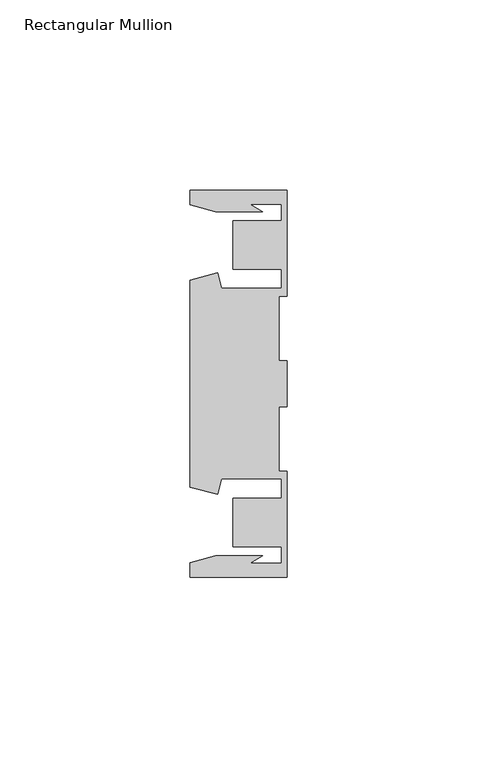
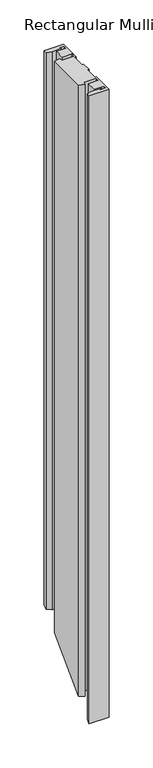
"""IFC4 building model written with IfcOpenShell, lengths in millimetres: member geometry, Rectangular Mullion."""

from ifc_helpers import new_model, si_unit, origin, place, context, project, spatial, faceted_brep, source, transform, mapped, element, save


def rectangular_mullion_3d1addb9(model_context):
    return source(origin(), model_context, "Body", "Brep", [
        faceted_brep([(-25.4, 50.7954622, 0.0), (-25.4, 46.9998463, 0.0), (-18.7113002, 45.2076146, 0.0), (-6.3834869, 45.2076146, 0.0), (-9.7005662, 47.1227313, 0.0), (-1.4138425, 47.1227313, 0.0), (-1.4138425, 42.8128906, 0.0), (-14.1138425, 42.8128906, 0.0), (-14.1138425, 30.1128906, 0.0), (-1.4138425, 30.1128906, 0.0), (-1.4138425, 25.0120132, 0.0), (-17.1094033, 25.0120132, 0.0), (-18.2017212, 29.0885993, 0.0), (-25.4, 27.1598263, 0.0), (-25.4, -27.1598263, 0.0), (-18.2017212, -29.0885993, 0.0), (-17.1094033, -25.0120132, 0.0), (-1.4138425, -25.0120132, 0.0), (-1.4138425, -30.1128906, 0.0), (-14.1138425, -30.1128906, 0.0), (-14.1138425, -42.8128906, 0.0), (-1.4138425, -42.8128906, 0.0), (-1.4138425, -47.1227313, 0.0), (-9.7005662, -47.1227313, 0.0), (-6.3834869, -45.2076146, 0.0), (-18.7113002, -45.2076146, 0.0), (-25.4, -46.9998463, 0.0), (-25.4, -50.7954622, 0.0), (0.0, -50.7954622, 0.0), (0.0, -22.9938072, 0.0), (-2.0000011, -22.9938072, 0.0), (-2.0000011, -6.0000032, 0.0), (0.0, -6.0000032, 0.0), (0.0, 6.0000032, 0.0), (-2.0000011, 6.0000032, 0.0), (-2.0000011, 22.9938072, 0.0), (0.0, 22.9938072, 0.0), (0.0, 50.7954622, 0.0), (-25.4, 50.7954622, -762.0045378), (-25.4, 46.9998463, -765.8001537), (-18.7113002, 45.2076146, -767.5923854), (-6.3834869, 45.2076146, -767.5923854), (-9.7005662, 47.1227313, -765.6772687), (-1.4138425, 47.1227313, -765.6772687), (-1.4138425, 42.8128906, -769.9871094), (-14.1138425, 42.8128906, -769.9871094), (-14.1138425, 30.1128906, -782.6871094), (-1.4138425, 30.1128906, -782.6871094), (-1.4138425, 25.0120132, -787.7879868), (-17.1094033, 25.0120132, -787.7879868), (-18.2017212, 29.0885993, -783.7114007), (-25.4, 27.1598263, -785.6401737), (-25.4, -27.1598263, -839.9598263), (-18.2017212, -29.0885993, -841.8885993), (-17.1094033, -25.0120132, -837.8120132), (-1.4138425, -25.0120132, -837.8120132), (-1.4138425, -30.1128906, -842.9128906), (-14.1138425, -30.1128906, -842.9128906), (-14.1138425, -42.8128906, -855.6128906), (-1.4138425, -42.8128906, -855.6128906), (-1.4138425, -47.1227313, -859.9227313), (-9.7005662, -47.1227313, -859.9227313), (-6.3834869, -45.2076146, -858.0076146), (-18.7113002, -45.2076146, -858.0076146), (-25.4, -46.9998463, -859.7998463), (-25.4, -50.7954622, -863.5954622), (0.0, -50.7954622, -863.5954622), (0.0, -22.9938072, -835.7938072), (-2.0000011, -22.9938072, -835.7938072), (-2.0000011, -6.0000032, -818.8000032), (0.0, -6.0000032, -818.8000032), (0.0, 6.0000032, -806.7999968), (-2.0000011, 6.0000032, -806.7999968), (-2.0000011, 22.9938072, -789.8061928), (0.0, 22.9938072, -789.8061928), (0.0, 50.7954622, -762.0045378)], [[[0, 1, 2, 3, 4, 5, 6, 7, 8, 9, 10, 11, 12, 13, 14, 15, 16, 17, 18, 19, 20, 21, 22, 23, 24, 25, 26, 27, 28, 29, 30, 31, 32, 33, 34, 35, 36, 37]], [[1, 0, 38, 39]], [[2, 1, 39, 40]], [[3, 2, 40, 41]], [[4, 3, 41, 42]], [[5, 4, 42, 43]], [[6, 5, 43, 44]], [[7, 6, 44, 45]], [[8, 7, 45, 46]], [[9, 8, 46, 47]], [[10, 9, 47, 48]], [[11, 10, 48, 49]], [[12, 11, 49, 50]], [[13, 12, 50, 51]], [[14, 13, 51, 52]], [[15, 14, 52, 53]], [[16, 15, 53, 54]], [[17, 16, 54, 55]], [[18, 17, 55, 56]], [[19, 18, 56, 57]], [[20, 19, 57, 58]], [[21, 20, 58, 59]], [[22, 21, 59, 60]], [[23, 22, 60, 61]], [[24, 23, 61, 62]], [[25, 24, 62, 63]], [[26, 25, 63, 64]], [[27, 26, 64, 65]], [[28, 27, 65, 66]], [[29, 28, 66, 67]], [[30, 29, 67, 68]], [[31, 30, 68, 69]], [[32, 31, 69, 70]], [[33, 32, 70, 71]], [[34, 33, 71, 72]], [[35, 34, 72, 73]], [[36, 35, 73, 74]], [[37, 36, 74, 75]], [[0, 37, 75, 38]], [[38, 75, 74, 73, 72, 71, 70, 69, 68, 67, 66, 65, 64, 63, 62, 61, 60, 59, 58, 57, 56, 55, 54, 53, 52, 51, 50, 49, 48, 47, 46, 45, 44, 43, 42, 41, 40, 39]]]),
    ])


if __name__ == "__main__":
    model = new_model("IFC4")
    model_context = context("Model", 3, world=origin())
    ifc_project = project(units=[si_unit("LENGTHUNIT", "METRE", prefix="MILLI")], contexts=[model_context])
    site = spatial("IfcSite", under=ifc_project)
    building = spatial("IfcBuilding", under=site)
    placement = place(None, origin())
    rectangular_mullion_shape = rectangular_mullion_3d1addb9(model_context)
    element("IfcMember", 1, ObjectType="Rectangular Mullion", at=placement, inside=building, context=model_context, shape_type="MappedRepresentation", body=[
        mapped(rectangular_mullion_shape, transform((0.0, 0.0, 0.0), x_axis=(1.0, 0.0, 0.0), y_axis=(0.0, 1.0, 0.0), z_axis=(0.0, 0.0, 1.0))),
    ])
    save(model, "model.ifc")
